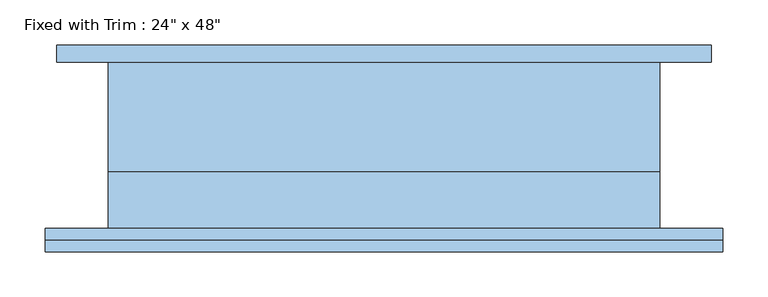
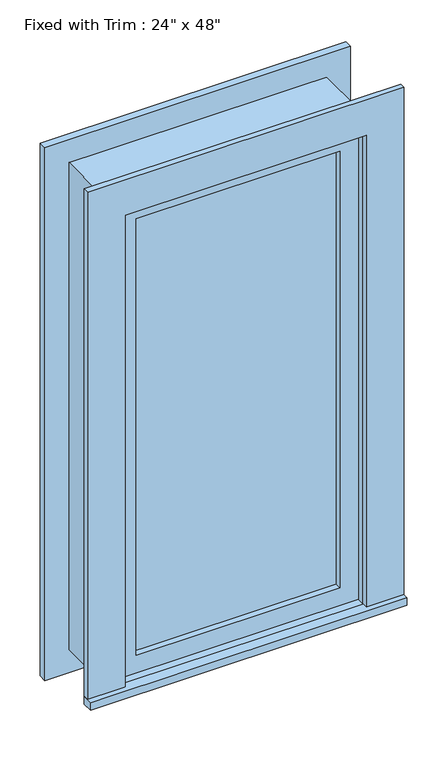
"""IFC4 building model written with IfcOpenShell, lengths in millimetres: window geometry."""

from ifc_helpers import new_model, si_unit, frame, origin, place, context, project, spatial, polyline, outline, extrude, source, transform, mapped, element, save


def window_dbbd76f8(model_context):
    return source(origin(), model_context, "Body", "SweptSolid", [
        extrude(outline(polyline([(-412.75, -117.475), (-412.75, -92.075), (336.55, -92.075), (336.55, -117.475), (-412.75, -117.475)])), frame((0.0, 0.0, 914.4), z_axis=(0.0, 0.0, 1.0), x_axis=(1.0, 0.0, 0.0)), (0.0, 0.0, 1.0), 19.05),
        extrude(outline(polyline([(2114.55, -323.85), (2114.55, 247.65), (933.45, 247.65), (933.45, 336.55), (2203.45, 336.55), (2203.45, -412.75), (933.45, -412.75), (933.45, -323.85), (2114.55, -323.85)])), frame((0.0, -104.775, 0.0), z_axis=(0.0, 1.0, 0.0), x_axis=(0.0, 0.0, 1.0)), (0.0, 0.0, 1.0), 12.7),
        extrude(outline(polyline([(2190.75, 323.85), (2190.75, -400.05), (857.25, -400.05), (857.25, 323.85), (2190.75, 323.85)]), holes=[polyline([(2101.85, 234.95), (946.15, 234.95), (946.15, -311.15), (2101.85, -311.15), (2101.85, 234.95)])]), frame((0.0, 92.075, 0.0), z_axis=(0.0, 1.0, 0.0), x_axis=(0.0, 0.0, 1.0)), (0.0, 0.0, 1.0), 19.05),
        extrude(outline(polyline([(203.2, -44.45), (203.2, -57.15), (-279.4, -57.15), (-279.4, -44.45), (203.2, -44.45)])), frame((0.0, 0.0, 977.9), z_axis=(0.0, 0.0, 1.0), x_axis=(1.0, 0.0, 0.0)), (0.0, 0.0, 1.0), 1092.2),
        extrude(outline(polyline([(2114.55, -323.85), (933.45, -323.85), (933.45, 247.65), (2114.55, 247.65), (2114.55, -323.85)]), holes=[polyline([(2070.1, -279.4), (2070.1, 203.2), (977.9, 203.2), (977.9, -279.4), (2070.1, -279.4)])]), frame((0.0, -73.025, 0.0), z_axis=(0.0, 1.0, 0.0), x_axis=(0.0, 0.0, 1.0)), (0.0, 0.0, 1.0), 44.45),
        extrude(outline(polyline([(2133.6, -342.9), (914.4, -342.9), (914.4, 266.7), (2133.6, 266.7), (2133.6, -342.9)]), holes=[polyline([(2101.85, -311.15), (2101.85, 234.95), (946.15, 234.95), (946.15, -311.15), (2101.85, -311.15)])]), frame((0.0, -28.575, 0.0), z_axis=(0.0, 1.0, 0.0), x_axis=(0.0, 0.0, 1.0)), (0.0, 0.0, 1.0), 120.65),
        extrude(outline(polyline([(2133.6, 266.7), (2133.6, -342.9), (914.4, -342.9), (914.4, 266.7), (2133.6, 266.7)]), holes=[polyline([(2114.55, 247.65), (933.45, 247.65), (933.45, -323.85), (2114.55, -323.85), (2114.55, 247.65)])]), frame((0.0, -92.075, 0.0), z_axis=(0.0, 1.0, 0.0), x_axis=(0.0, 0.0, 1.0)), (0.0, 0.0, 1.0), 63.5),
    ])


if __name__ == "__main__":
    model = new_model("IFC4")
    model_context = context("Model", 3, world=origin())
    ifc_project = project(units=[si_unit("LENGTHUNIT", "METRE", prefix="MILLI")], contexts=[model_context])
    site = spatial("IfcSite", under=ifc_project)
    building = spatial("IfcBuilding", under=site)
    placement = place(None, origin())
    window_shape = window_dbbd76f8(model_context)
    element("IfcWindow", 1, ObjectType="Fixed with Trim : 24\" x 48\"", at=placement, inside=building, context=model_context, shape_type="MappedRepresentation", body=[
        mapped(window_shape, transform((0.0, 0.0, 0.0), x_axis=(1.0, 0.0, 0.0), y_axis=(0.0, 1.0, 0.0), z_axis=(0.0, 0.0, 1.0))),
    ])
    save(model, "model.ifc")
